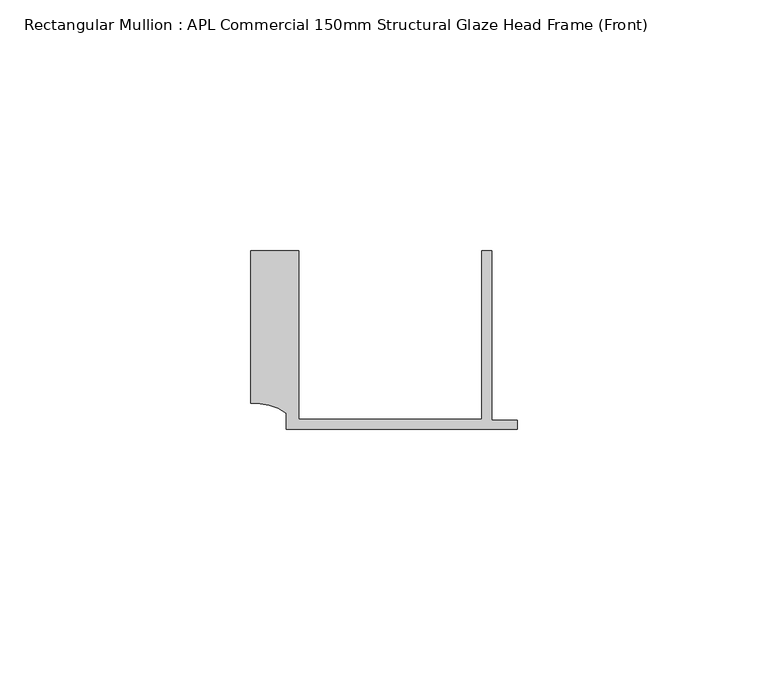
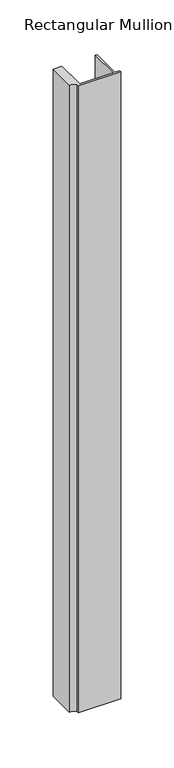
"""IFC4 building model written with IfcOpenShell, lengths in millimetres: member geometry, Rectangular Mullion : APL Commercial 150mm Structural Glaze Head Frame (Front)."""

import ifcopenshell
import ifcopenshell.guid

model = None  # the IFC model being written
_history = None  # IfcOwnerHistory: only IFC2X3 demands one
_inside = {}  # id of a spatial element -> (the spatial element, [elements in it])
_under = {}  # id of a project, library or spatial element -> (it, [spatial elements below it])
_declared = {}  # id of a project -> (the project, [libraries it declares])
_typed = {}  # id of a type object -> (the type object, [elements of that type])
_made_of = {}  # id of a material, layer set ... -> (it, [elements and type objects made of it])


def new_model(schema):
    """Start an empty IFC model of exactly this schema.

    Asked for "IFC4X3", IfcOpenShell would pick the latest addendum, in which some entities
    have other attributes; the version numbers below select the first issue.
    IFC2X3 requires an IfcOwnerHistory on every rooted entity: one is made here for all.
    """
    global model, _history
    if schema == "IFC4X3":
        model = ifcopenshell.file(schema_version=(4, 3, 0, 0))
    else:
        model = ifcopenshell.file(schema=schema)
    _inside.clear()
    _under.clear()
    _declared.clear()
    _typed.clear()
    _made_of.clear()
    _history = None
    if model.schema == "IFC2X3":
        org = make("IfcOrganization", Name="unknown")
        user = make(
            "IfcPersonAndOrganization",
            ThePerson=make("IfcPerson", FamilyName="unknown"),
            TheOrganization=org,
        )
        app = make(
            "IfcApplication",
            ApplicationDeveloper=org,
            Version="unknown",
            ApplicationFullName="unknown",
            ApplicationIdentifier="unknown",
        )
        _history = make(
            "IfcOwnerHistory",
            OwningUser=user,
            OwningApplication=app,
            ChangeAction="ADDED",
            CreationDate=0,
        )
    return model


def make(cls, **values):
    """One entity of the class cls with the attributes given. An attribute that is None is left unset."""
    return model.create_entity(
        cls, **{name: value for name, value in values.items() if value is not None}
    )


def rooted(cls, **values):
    """An entity with a GlobalId (a new one), such as an element, a storey or a relation."""
    return make(cls, GlobalId=ifcopenshell.guid.new(), OwnerHistory=_history, **values)


def si_unit(unit_type, name, prefix=None):
    """IfcSIUnit, for example si_unit("LENGTHUNIT", "METRE", prefix="MILLI")."""
    return make("IfcSIUnit", UnitType=unit_type, Prefix=prefix, Name=name)


def assignment(units):
    """IfcUnitAssignment: the units of a project."""
    return None if units is None else make("IfcUnitAssignment", Units=units)


def point(xyz):
    """IfcCartesianPoint."""
    return None if xyz is None else make("IfcCartesianPoint", Coordinates=xyz)


def direction(xyz):
    """IfcDirection."""
    return None if xyz is None else make("IfcDirection", DirectionRatios=xyz)


def frame(location, z_axis=None, x_axis=None):
    """IfcAxis2Placement3D, a coordinate frame: its origin and axes. An axis left out is left unset."""
    return make(
        "IfcAxis2Placement3D",
        Location=point(location),
        Axis=direction(z_axis),
        RefDirection=direction(x_axis),
    )


def frame_2d(location, x_axis=None):
    """IfcAxis2Placement2D, a coordinate frame in the plane: its origin and x axis."""
    return make(
        "IfcAxis2Placement2D", Location=point(location), RefDirection=direction(x_axis)
    )


def origin():
    """The frame at (0, 0, 0) with its axes left unset."""
    return frame((0.0, 0.0, 0.0))


def place(relative_to, where):
    """IfcLocalPlacement: puts the frame where relative to a parent placement (None: the world)."""
    return make(
        "IfcLocalPlacement", PlacementRelTo=relative_to, RelativePlacement=where
    )


def context(
    kind, dimensions, precision=None, world=None, true_north=None, identifier=None
):
    """IfcGeometricRepresentationContext, for example the 3D "Model" context."""
    return make(
        "IfcGeometricRepresentationContext",
        ContextIdentifier=identifier,
        ContextType=kind,
        CoordinateSpaceDimension=dimensions,
        Precision=precision,
        WorldCoordinateSystem=world,
        TrueNorth=true_north,
    )


def project(units=None, contexts=None):
    """IfcProject with its units and contexts."""
    return rooted(
        "IfcProject",
        Name="project",
        RepresentationContexts=contexts,
        UnitsInContext=assignment(units),
    )


def spatial(cls, under=None, at=None, **own):
    """A site, building, storey or space (cls), placed at a placement, below another one or the project."""
    s = rooted(cls, ObjectPlacement=at, **own)
    if under is not None:
        _under.setdefault(under.id(), (under, []))[1].append(s)
    return s


def polyline(points):
    """IfcPolyline through the points."""
    return make("IfcPolyline", Points=[point(p) for p in points])


def circle_curve(where, radius):
    """IfcCircle in the frame where."""
    return make("IfcCircle", Position=where, Radius=radius)


def trimmed(basis, trim1, trim2, sense, master):
    """IfcTrimmedCurve: the piece of a basis curve between two trims."""
    return make(
        "IfcTrimmedCurve",
        BasisCurve=basis,
        Trim1=trim1,
        Trim2=trim2,
        SenseAgreement=sense,
        MasterRepresentation=master,
    )


def segment(curve, same_sense, transition):
    """IfcCompositeCurveSegment."""
    return make(
        "IfcCompositeCurveSegment",
        Transition=transition,
        SameSense=same_sense,
        ParentCurve=curve,
    )


def composite_curve(segments, self_intersect=None):
    """IfcCompositeCurve: segments joined end to end."""
    return make("IfcCompositeCurve", Segments=segments, SelfIntersect=self_intersect)


def outline(outer, holes=None, kind="AREA"):
    """IfcArbitraryClosedProfileDef: a profile drawn as a closed curve; with holes, ...WithVoids."""
    if holes is None:
        return make("IfcArbitraryClosedProfileDef", ProfileType=kind, OuterCurve=outer)
    return make(
        "IfcArbitraryProfileDefWithVoids",
        ProfileType=kind,
        OuterCurve=outer,
        InnerCurves=holes,
    )


def extrude(swept, where, along, depth):
    """IfcExtrudedAreaSolid: the profile swept, set in the frame where, extruded along a direction by depth."""
    return make(
        "IfcExtrudedAreaSolid",
        SweptArea=swept,
        Position=where,
        ExtrudedDirection=direction(along),
        Depth=depth,
    )


def shape(context_of_items, identifier, shape_type, items):
    """IfcShapeRepresentation: the items that make up one representation, for example the "Body"."""
    return make(
        "IfcShapeRepresentation",
        ContextOfItems=context_of_items,
        RepresentationIdentifier=identifier,
        RepresentationType=shape_type,
        Items=items,
    )


def source(mapping_origin, context_of_items, identifier, shape_type, items):
    """IfcRepresentationMap: a shape defined once, which mapped items show again and again."""
    return make(
        "IfcRepresentationMap",
        MappingOrigin=mapping_origin,
        MappedRepresentation=shape(context_of_items, identifier, shape_type, items),
    )


def transform(
    local_origin,
    x_axis=None,
    y_axis=None,
    z_axis=None,
    scale=None,
    scale2=None,
    scale3=None,
    uniform=True,
):
    """IfcCartesianTransformationOperator3D, or its non-uniform kind. x_axis, y_axis, z_axis: its Axis1, 2, 3."""
    if uniform:
        return make(
            "IfcCartesianTransformationOperator3D",
            Axis1=direction(x_axis),
            Axis2=direction(y_axis),
            LocalOrigin=point(local_origin),
            Scale=scale,
            Axis3=direction(z_axis),
        )
    return make(
        "IfcCartesianTransformationOperator3DnonUniform",
        Axis1=direction(x_axis),
        Axis2=direction(y_axis),
        LocalOrigin=point(local_origin),
        Scale=scale,
        Axis3=direction(z_axis),
        Scale2=scale2,
        Scale3=scale3,
    )


def mapped(mapping_source, mapping_target):
    """IfcMappedItem: shows the shape of a source again, moved by a transform."""
    return make(
        "IfcMappedItem", MappingSource=mapping_source, MappingTarget=mapping_target
    )


def made_of(thing, what):
    """Note that an element or type object is made of a material, layer set ...; save() writes the relation."""
    if what is not None:
        _made_of.setdefault(what.id(), (what, []))[1].append(thing)
    return thing


def element(
    cls,
    number,
    at=None,
    inside=None,
    cuts=None,
    type_object=None,
    material=None,
    context=None,
    identifier="Body",
    shape_type=None,
    held_by="IfcProductDefinitionShape",
    body=None,
    shapes=None,
    **own,
):
    """One element of the class cls, such as IfcWall. Its Tag is "e" and its number.

    at: its placement. inside: the storey or other place that contains it. cuts: it is an
    opening in that element (IfcRelVoidsElement). A single representation is given by context,
    identifier, shape_type and body (its items); several are given by shapes. held_by: the class
    of the entity that holds the representations. save() writes the other relations.
    """
    e = rooted(cls, Tag="e%d" % number, ObjectPlacement=at, **own)
    if body is not None:
        shapes = [shape(context, identifier, shape_type, body)]
    if shapes is not None:
        e.Representation = make(held_by, Representations=shapes)
    if inside is not None:
        _inside.setdefault(inside.id(), (inside, []))[1].append(e)
    if cuts is not None:
        rooted(
            "IfcRelVoidsElement", RelatingBuildingElement=cuts, RelatedOpeningElement=e
        )
    if type_object is not None:
        _typed.setdefault(type_object.id(), (type_object, []))[1].append(e)
    return made_of(e, material)


def aggregate(whole, parts):
    """IfcRelAggregates: a whole, such as a stair, and the parts it consists of."""
    return rooted("IfcRelAggregates", RelatingObject=whole, RelatedObjects=parts)


def save(model, path):
    """Write the relations noted so far, then the file.

    IfcRelAggregates (storeys below a building ...), IfcRelContainedInSpatialStructure (elements
    in a storey), IfcRelDefinesByType, IfcRelAssociatesMaterial and IfcRelDeclares: one each for
    every whole, place, type object, material and project.
    """
    for whole, parts in _under.values():
        aggregate(whole, parts)
    for where, things in _inside.values():
        rooted(
            "IfcRelContainedInSpatialStructure",
            RelatedElements=things,
            RelatingStructure=where,
        )
    for kind, things in _typed.values():
        rooted("IfcRelDefinesByType", RelatedObjects=things, RelatingType=kind)
    for what, things in _made_of.values():
        rooted("IfcRelAssociatesMaterial", RelatedObjects=things, RelatingMaterial=what)
    for by, libraries in _declared.values():
        rooted("IfcRelDeclares", RelatingContext=by, RelatedDefinitions=libraries)
    model.write(path)


def rectangular_mullion_apl_commercial_150mm_structural_glaze_00f32a57(model_context):
    return source(origin(), model_context, "Body", "SweptSolid", [
        extrude(outline(composite_curve([segment(polyline([(-52.9999542, 15.0), (-43.5000151, 15.0), (-43.5000151, -18.5002486), (-7.0, -18.5002486), (-7.0, 15.0), (-5.0, 15.0), (-5.0, -18.7002486), (0.0, -18.7002486), (0.0, -20.5002486), (-45.9999994, -20.5002486), (-45.9999994, -17.3126154)]), True, "CONTINUOUS"), segment(trimmed(circle_curve(frame_2d((-52.109817, -25.7982641)), 10.4563907), [point((-45.9999994, -17.3126154))], [point((-52.9999542, -15.3798304))], True, "CARTESIAN"), True, "CONTINUOUS"), segment(polyline([(-52.9999542, -15.3798304), (-52.9999542, 15.0)]), True, "CONTINUOUS")], self_intersect=False)), frame((0.0, 0.0, -722.0469235), z_axis=(0.0, 0.0, 1.0), x_axis=(1.0, 0.0, 0.0)), (0.0, 0.0, 1.0), 722.0469235),
    ])


if __name__ == "__main__":
    model = new_model("IFC4")
    model_context = context("Model", 3, world=origin())
    ifc_project = project(units=[si_unit("LENGTHUNIT", "METRE", prefix="MILLI")], contexts=[model_context])
    site = spatial("IfcSite", under=ifc_project)
    building = spatial("IfcBuilding", under=site)
    placement = place(None, origin())
    rectangular_mullion_apl_commercial_150mm_structural_glaze_shape = rectangular_mullion_apl_commercial_150mm_structural_glaze_00f32a57(model_context)
    element("IfcMember", 1, ObjectType="Rectangular Mullion : APL Commercial 150mm Structural Glaze Head Frame (Front)", at=placement, inside=building, context=model_context, shape_type="MappedRepresentation", body=[
        mapped(rectangular_mullion_apl_commercial_150mm_structural_glaze_shape, transform((0.0, 0.0, 0.0), x_axis=(1.0, 0.0, 0.0), y_axis=(0.0, 1.0, 0.0), z_axis=(0.0, 0.0, 1.0))),
    ])
    save(model, "model.ifc")
